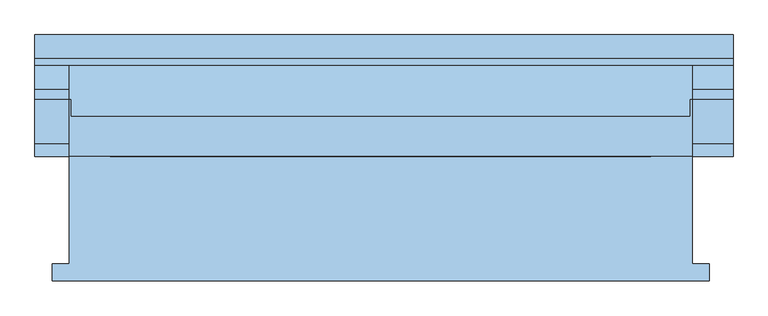
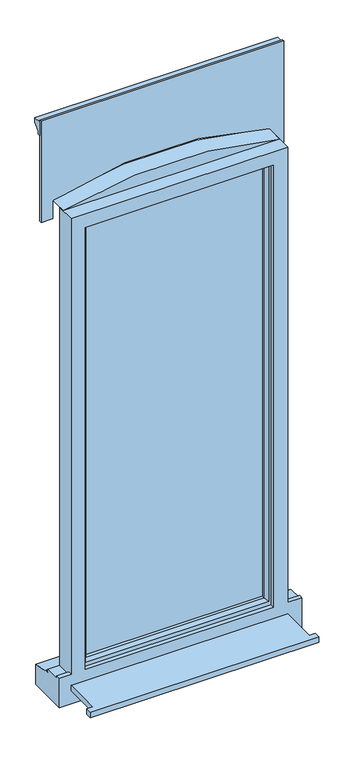
"""IFC4 building model written with IfcOpenShell, lengths in millimetres: window geometry."""

from ifc_helpers import new_model, si_unit, point, frame, frame_2d, origin, place, context, project, spatial, polyline, circle_curve, trimmed, segment, composite_curve, outline, extrude, faceted_brep, source, transform, mapped, element, save


def window_8af2b7d8(model_context):
    return source(origin(), model_context, "Body", "SolidModel", [
        extrude(outline(polyline([(-480.0, -161.5434322), (-480.0, -136.5434322), (-455.0, -136.5434322), (-455.0, 20.4565678), (455.0, 20.4565678), (455.0, -136.5434322), (480.0, -136.5434322), (480.0, -161.5434322), (-480.0, -161.5434322)])), frame((0.0, 0.0, 10.0), z_axis=(0.0, 0.0, 1.0), x_axis=(1.0, 0.0, 0.0)), (0.0, 0.0, 1.0), 25.0),
        faceted_brep([(-455.0, 20.4565678, 2110.0), (-455.0, 20.4565678, 85.0), (-505.0, 20.4565678, 85.0), (-505.0, 20.4565678, -47.0), (515.0, 20.4565678, -47.0), (515.0, 20.4565678, 85.0), (455.0, 20.4565678, 85.0), (455.0, 20.4565678, 2110.0), (-395.0, 20.4565678, 2050.0), (395.0, 20.4565678, 2050.0), (395.0, 20.4565678, 85.0), (-395.0, 20.4565678, 85.0), (-455.0, 103.4565678, 2110.0), (-455.0, 103.4565678, 73.0), (-455.0, 38.4565678, 73.0), (-455.0, 38.4565678, 85.0), (455.0, 103.4565678, 2110.0), (455.0, 103.4565678, 73.0), (515.0, 103.4565678, 73.0), (515.0, 103.4565678, 61.0), (-505.0, 103.4565678, 61.0), (-505.0, 103.4565678, 73.0), (-415.0, 103.4565678, 2070.0), (-415.0, 103.4565678, 73.0), (415.0, 103.4565678, 73.0), (415.0, 103.4565678, 2070.0), (-415.0, 38.4565678, 2070.0), (-415.0, 38.4565678, 73.0), (-505.0, 38.4565678, 73.0), (-505.0, 38.4565678, 85.0), (515.0, 38.4565678, 85.0), (515.0, 38.4565678, 73.0), (455.0, 38.4565678, 73.0), (455.0, 38.4565678, 85.0), (415.0, 38.4565678, 2070.0), (415.0, 38.4565678, 73.0), (-395.0, 38.4565678, 2050.0), (-395.0, 38.4565678, 85.0), (395.0, 38.4565678, 85.0), (395.0, 38.4565678, 2050.0), (515.0, 190.9565678, -47.0), (515.0, 190.9565678, 43.8088847), (515.0, 118.4565678, 54.7449676), (515.0, 118.4565678, 59.68767), (-505.0, 118.4565678, 59.68767), (-505.0, 118.4565678, 54.7449676), (-505.0, 190.9565678, 43.8088847), (-505.0, 190.9565678, -47.0)], [[[0, 1, 2, 3, 4, 5, 6, 7], [8, 9, 10, 11]], [[0, 12, 13, 14, 15, 1]], [[13, 12, 16, 17, 18, 19, 20, 21], [22, 23, 24, 25]], [[23, 22, 26, 27]], [[28, 29, 15, 14]], [[30, 31, 32, 33]], [[26, 34, 35, 27], [36, 37, 38, 39]], [[36, 8, 11, 37]], [[0, 7, 16, 12]], [[22, 25, 34, 26]], [[9, 8, 36, 39]], [[17, 16, 7, 6, 33, 32]], [[25, 24, 35, 34]], [[9, 39, 38, 10]], [[5, 4, 40, 41, 42, 43, 19, 18, 31, 30]], [[2, 29, 28, 21, 20, 44, 45, 46, 47, 3]], [[40, 4, 3, 47]], [[41, 40, 47, 46]], [[42, 41, 46, 45]], [[43, 42, 45, 44]], [[19, 43, 44, 20]], [[27, 35, 24, 23]], [[31, 18, 17, 32]], [[21, 28, 14, 13]], [[11, 10, 38, 37]], [[5, 30, 33, 6]], [[29, 2, 1, 15]]]),
        extrude(outline(polyline([(385.0, 67.4565678), (-385.0, 67.4565678), (-385.0, 91.4565678), (385.0, 91.4565678), (385.0, 67.4565678)])), frame((0.0, 0.0, 103.0), z_axis=(0.0, 0.0, 1.0), x_axis=(1.0, 0.0, 0.0)), (0.0, 0.0, 1.0), 1937.0),
        faceted_brep([(-425.0, 103.4565678, 2080.0), (-425.0, 111.7300705, 2080.0), (-425.0, 111.7300705, 63.0), (-425.0, 103.4565678, 63.0), (-415.0, 38.4565678, 2070.0), (-415.0, 103.4565678, 2070.0), (-415.0, 103.4565678, 73.0), (-415.0, 38.4565678, 73.0), (-375.0, 52.9494677, 2030.0), (-385.1480377, 38.4565678, 2040.1480377), (-385.1480377, 38.4565678, 102.8519623), (-375.0, 52.9494677, 113.0), (-375.0, 67.4565678, 2030.0), (-375.0, 67.4565678, 113.0), (-385.0, 91.4565678, 2040.0), (-385.0, 67.4565678, 2040.0), (-385.0, 67.4565678, 103.0), (-385.0, 91.4565678, 103.0), (-375.0, 109.2300705, 2030.0), (-375.0, 91.4565678, 2030.0), (-375.0, 91.4565678, 113.0), (-375.0, 109.2300705, 113.0), (-392.4457548, 120.0035732, 2047.4457548), (-392.4457548, 120.0035732, 95.5542452), (-414.2153903, 120.0035732, 2069.2153903), (-414.2153903, 120.0035732, 73.7846097), (425.0, 111.7300705, 63.0), (425.0, 103.4565678, 63.0), (415.0, 103.4565678, 73.0), (415.0, 38.4565678, 73.0), (385.1480377, 38.4565678, 102.8519623), (375.0, 52.9494677, 113.0), (375.0, 67.4565678, 113.0), (385.0, 67.4565678, 103.0), (385.0, 91.4565678, 103.0), (375.0, 91.4565678, 113.0), (375.0, 109.2300705, 113.0), (392.4457548, 120.0035732, 95.5542452), (414.2153903, 120.0035732, 73.7846097), (425.0, 111.7300705, 2080.0), (425.0, 103.4565678, 2080.0), (415.0, 103.4565678, 2070.0), (415.0, 38.4565678, 2070.0), (385.1480377, 38.4565678, 2040.1480377), (375.0, 52.9494677, 2030.0), (375.0, 67.4565678, 2030.0), (385.0, 67.4565678, 2040.0), (385.0, 91.4565678, 2040.0), (375.0, 91.4565678, 2030.0), (375.0, 109.2300705, 2030.0), (392.4457548, 120.0035732, 2047.4457548), (414.2153903, 120.0035732, 2069.2153903)], [[[0, 1, 2, 3]], [[4, 5, 6, 7]], [[8, 9, 10, 11]], [[12, 8, 11, 13]], [[14, 15, 16, 17]], [[18, 19, 20, 21]], [[22, 18, 21, 23]], [[1, 24, 25, 2]], [[3, 2, 26, 27]], [[7, 6, 28, 29]], [[11, 10, 30, 31]], [[13, 11, 31, 32]], [[17, 16, 33, 34]], [[21, 20, 35, 36]], [[23, 21, 36, 37]], [[2, 25, 38, 26]], [[27, 26, 39, 40]], [[29, 28, 41, 42]], [[31, 30, 43, 44]], [[32, 31, 44, 45]], [[34, 33, 46, 47]], [[36, 35, 48, 49]], [[37, 36, 49, 50]], [[26, 38, 51, 39]], [[40, 39, 1, 0]], [[3, 27, 40, 0], [5, 41, 28, 6]], [[42, 41, 5, 4]], [[7, 29, 42, 4], [9, 43, 30, 10]], [[44, 43, 9, 8]], [[45, 44, 8, 12]], [[15, 46, 33, 16], [13, 32, 45, 12]], [[47, 46, 15, 14]], [[17, 34, 47, 14], [19, 48, 35, 20]], [[49, 48, 19, 18]], [[50, 49, 18, 22]], [[24, 51, 38, 25], [23, 37, 50, 22]], [[39, 51, 24, 1]]]),
        extrude(outline(polyline([(95.800695, -390.0), (95.800695, 390.0), (1086.5, 390.0), (1086.5, -390.0), (95.800695, -390.0)]), holes=[polyline([(1016.5, -320.0), (1016.5, 320.0), (165.800695, 320.0), (165.800695, -320.0), (1016.5, -320.0)])]), frame((0.0, 115.0035732, 0.0), z_axis=(0.0, 1.0, 0.0), x_axis=(0.0, 0.0, 1.0)), (0.0, 0.0, 1.0), 15.9529946),
        extrude(outline(polyline([(163.1390049, 2410.0), (163.1390049, 2470.0), (197.8877422, 2470.0), (197.8877422, 2449.7487373), (173.1390049, 2425.0), (173.1390049, 2410.0), (163.1390049, 2410.0)])), frame((-505.0, 0.0, 0.0), z_axis=(1.0, 0.0, 0.0), x_axis=(0.0, 1.0, 0.0)), (0.0, 0.0, 1.0), 1020.0),
        extrude(outline(composite_curve([segment(polyline([(2110.0, -455.0), (2110.0, 455.0)]), True, "CONTINUOUS"), segment(trimmed(circle_curve(frame_2d((380.6732354, 0.0)), 1788.1823338), [point((2110.0, 455.0))], [point((2110.0, -455.0))], False, "CARTESIAN"), True, "CONTINUOUS")], self_intersect=False)), frame((0.0, 79.3266096, 0.0), z_axis=(0.0, 1.0, 0.0), x_axis=(0.0, 0.0, 1.0)), (0.0, 0.0, 1.0), 80.3363325),
        extrude(outline(composite_curve([segment(polyline([(2030.0, 515.0), (2480.0, 515.0), (2480.0, -505.0), (2030.0, -505.0), (2030.0, -455.0), (2110.0, -455.0)]), True, "CONTINUOUS"), segment(trimmed(circle_curve(frame_2d((680.6732354, 0.0)), 1500.0), [point((2110.0, -455.0))], [point((2110.0, 455.0))], True, "CARTESIAN"), True, "CONTINUOUS"), segment(polyline([(2110.0, 455.0), (2030.0, 455.0), (2030.0, 515.0)]), True, "CONTINUOUS")], self_intersect=False)), frame((0.0, 153.4565678, 0.0), z_axis=(0.0, 1.0, 0.0), x_axis=(0.0, 0.0, 1.0)), (0.0, 0.0, 1.0), 9.682437),
        extrude(outline(polyline([(1051.5, -375.0), (1051.5, 375.0), (2030.0, 375.0), (2030.0, -375.0), (1051.5, -375.0)]), holes=[polyline([(1960.7039769, -305.7039769), (1960.7039769, 305.7039769), (1120.7960231, 305.7039769), (1120.7960231, -305.7039769), (1960.7039769, -305.7039769)])]), frame((0.0, 103.4565678, 0.0), z_axis=(0.0, 1.0, 0.0), x_axis=(0.0, 0.0, 1.0)), (0.0, 0.0, 1.0), 11.5470054),
    ])


if __name__ == "__main__":
    model = new_model("IFC4")
    model_context = context("Model", 3, world=origin())
    ifc_project = project(units=[si_unit("LENGTHUNIT", "METRE", prefix="MILLI")], contexts=[model_context])
    site = spatial("IfcSite", under=ifc_project)
    building = spatial("IfcBuilding", under=site)
    placement = place(None, origin())
    window_shape = window_8af2b7d8(model_context)
    element("IfcWindow", 1, at=placement, inside=building, context=model_context, shape_type="MappedRepresentation", body=[
        mapped(window_shape, transform((0.0, 0.0, 0.0), x_axis=(1.0, 0.0, 0.0), y_axis=(0.0, 1.0, 0.0), z_axis=(0.0, 0.0, 1.0))),
    ])
    save(model, "model.ifc")
